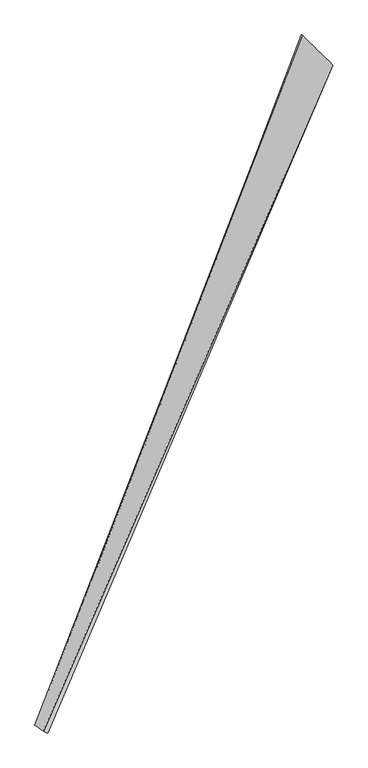
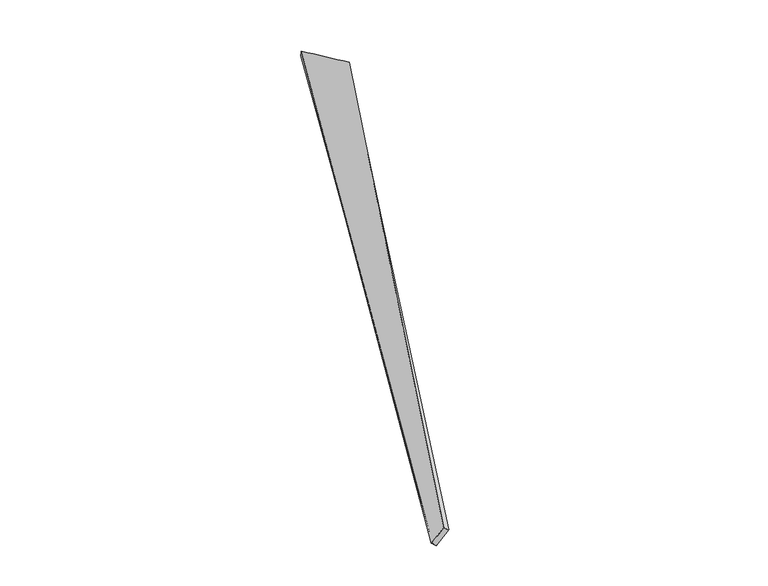
"""IFC4 building model written with IfcOpenShell, lengths in millimetres: proxy geometry."""

from ifc_helpers import new_model, si_unit, origin, place, context, project, spatial, source, transform, mapped, element, save
from ifc_brep_helpers import spline_surface, advanced_brep


def generic_models_c307502a(model_context):
    return source(origin(), model_context, "Body", "AdvancedBrep", [
        advanced_brep(
        [(-718.922895, -1821.2713339, 49.9418451), (-694.5734162, -1832.0891138, 36.1549484), (982.5777703, 2095.5080641, -42.871969), (985.2496873, 2094.8254514, -12.9989895), (-747.3838373, -1793.2812326, -67.7684638), (800.103603, 2273.0757811, -16.8629536), (-769.8909769, -1784.8275986, -49.825088), (803.5641846, 2271.2734811, 12.8822324)],
        [
            (0, 1),
            (1, 2),
            (2, 3),
            (3, 0),
            (1, 4),
            (4, 5),
            (5, 2),
            (4, 6),
            (6, 7),
            (7, 5),
            (6, 0),
            (3, 7),
        ],
        [
            spline_surface(1, 1, [[(-718.922895, -1821.2713339, 49.9418451), (985.2496873, 2094.8254514, -12.9989895)], [(-694.5734162, -1832.0891138, 36.1549484), (982.5777703, 2095.5080641, -42.871969)]], [2, 2], [2, 2], [0.0, 1.0], [0.0, 1.0]),
            spline_surface(1, 1, [[(-694.5734162, -1832.0891138, 36.1549484), (982.5777703, 2095.5080641, -42.871969)], [(-747.3838373, -1793.2812326, -67.7684638), (800.103603, 2273.0757811, -16.8629536)]], [2, 2], [2, 2], [0.0, 1.0], [0.0, 1.0]),
            spline_surface(1, 1, [[(-747.3838373, -1793.2812326, -67.7684638), (800.103603, 2273.0757811, -16.8629536)], [(-769.8909769, -1784.8275986, -49.825088), (803.5641846, 2271.2734811, 12.8822324)]], [2, 2], [2, 2], [0.0, 1.0], [0.0, 1.0]),
            spline_surface(1, 1, [[(-769.8909769, -1784.8275986, -49.825088), (803.5641846, 2271.2734811, 12.8822324)], [(-718.922895, -1821.2713339, 49.9418451), (985.2496873, 2094.8254514, -12.9989895)]], [2, 2], [2, 2], [0.0, 1.0], [0.0, 1.0]),
            spline_surface(1, 1, [[(982.5777703, 2095.5080641, -42.871969), (985.2496873, 2094.8254514, -12.9989895)], [(800.103603, 2273.0757811, -16.8629536), (803.5641846, 2271.2734811, 12.8822324)]], [2, 2], [2, 2], [0.0, 1.0], [0.0, 1.0]),
            spline_surface(1, 1, [[(-769.8909769, -1784.8275986, -49.825088), (-718.922895, -1821.2713339, 49.9418451)], [(-747.3838373, -1793.2812326, -67.7684638), (-694.5734162, -1832.0891138, 36.1549484)]], [2, 2], [2, 2], [0.0, 1.0], [0.0, 1.0]),
        ],
        [
            (0, [[1, 2, 3, 4]]),
            (1, [[5, 6, 7, -2]]),
            (2, [[8, 9, 10, -6]]),
            (3, [[11, -4, 12, -9]]),
            (4, [[-3, -7, -10, -12]]),
            (5, [[-11, -8, -5, -1]]),
        ],
    ),
    ])


if __name__ == "__main__":
    model = new_model("IFC4")
    model_context = context("Model", 3, world=origin())
    ifc_project = project(units=[si_unit("LENGTHUNIT", "METRE", prefix="MILLI")], contexts=[model_context])
    site = spatial("IfcSite", under=ifc_project)
    building = spatial("IfcBuilding", under=site)
    placement = place(None, origin())
    generic_models_shape = generic_models_c307502a(model_context)
    element("IfcBuildingElementProxy", 1, Name="Generic Models", at=placement, inside=building, context=model_context, shape_type="MappedRepresentation", body=[
        mapped(generic_models_shape, transform((0.0, 0.0, 0.0), x_axis=(1.0, 0.0, 0.0), y_axis=(0.0, 1.0, 0.0), z_axis=(0.0, 0.0, 1.0))),
    ])
    save(model, "model.ifc")
